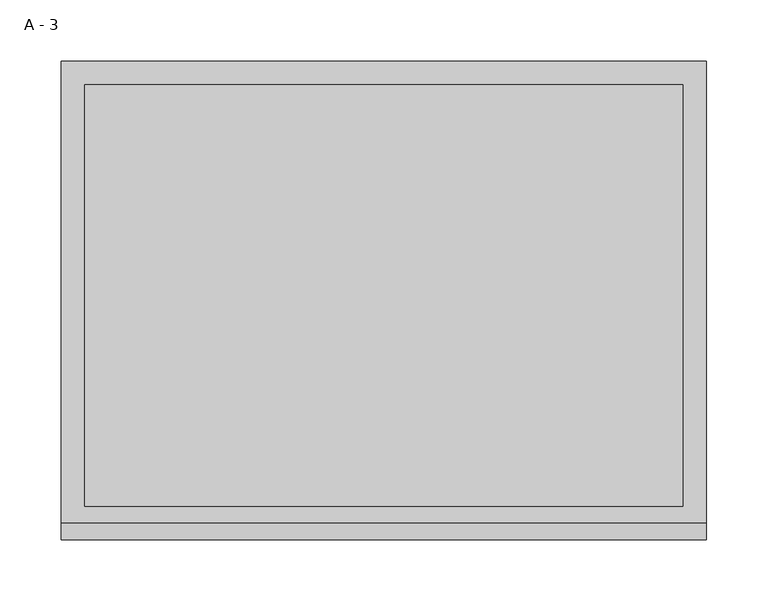
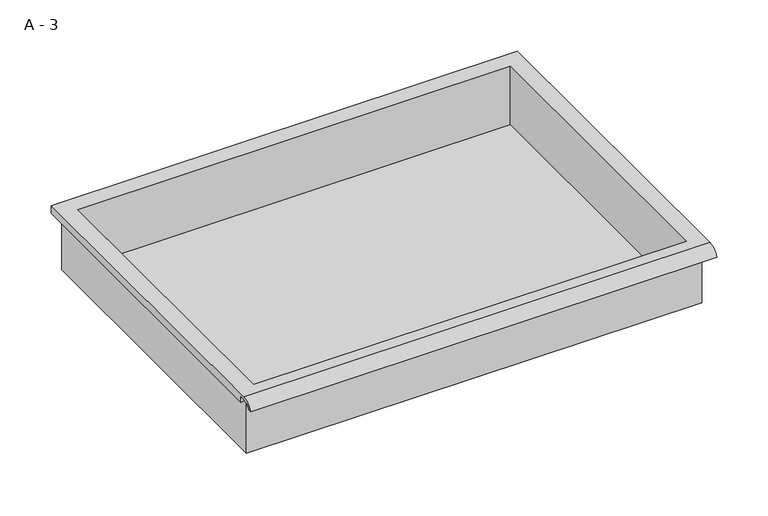
"""IFC4 building model written with IfcOpenShell, lengths in millimetres: furniture geometry, A - 3."""

from ifc_helpers import new_model, si_unit, frame, origin, place, context, project, spatial, polyline, circle_curve, source, transform, mapped, element, save
from ifc_brep_helpers import plane_surface, cylinder_surface, revolved_surface, advanced_brep


def a_3_f07f61ef(model_context):
    return source(origin(), model_context, "Body", "AdvancedBrep", [
        advanced_brep(
        [(-257.1076517, -176.2125, 742.14482), (257.2423483, -176.2125, 742.14482), (257.2423483, -176.2125, 805.64482), (263.5923483, -176.2125, 805.64482), (263.5923483, -176.2125, 811.9519541), (-263.4576517, -176.2125, 811.9519541), (-263.4576517, -176.2125, 805.64482), (-257.1076517, -176.2125, 805.64482), (257.2423483, 185.7375, 742.14482), (-257.1076517, 185.7375, 742.14482), (-257.1076517, 185.7375, 805.64482), (257.2423483, 185.7375, 805.64482), (263.5923483, -181.6070544, 815.16982), (263.5923483, 195.2625, 815.16982), (-263.4576517, 195.2625, 815.16982), (-263.4576517, -181.6070544, 815.16982), (244.5423483, -168.275, 815.16982), (-244.4076517, -168.275, 815.16982), (-244.4076517, 176.2125, 815.16982), (244.5423483, 176.2125, 815.16982), (263.5923483, -195.2625, 805.64482), (263.5923483, -191.8280601, 805.64482), (263.5923483, -180.4714815, 811.9519541), (263.5923483, 195.2625, 805.64482), (-263.4576517, 195.2625, 805.64482), (-263.4576517, -180.4714815, 811.9519541), (-263.4576517, -191.8280601, 805.64482), (-263.4576517, -195.2625, 805.64482), (-244.4076517, -168.275, 745.1709919), (244.5423483, -168.275, 745.1709919), (244.5423483, 176.2125, 745.1709919), (-244.4076517, 176.2125, 745.1709919)],
        [
            (0, 1),
            (1, 2),
            (2, 3),
            (3, 4),
            (4, 5),
            (5, 6),
            (6, 7),
            (7, 0),
            (8, 9),
            (9, 10),
            (10, 11),
            (11, 8),
            (0, 9),
            (8, 1),
            (11, 2),
            (12, 13),
            (13, 14),
            (14, 15),
            (15, 12),
            (16, 17),
            (17, 18),
            (18, 19),
            (19, 16),
            (7, 10),
            (12, 20, circle_curve(frame((263.5923483, -181.6070544, 800.6188059), z_axis=(1.0, 0.0, 0.0), x_axis=(0.0, 1.0, 0.0)), 14.5510141)),
            (20, 21),
            (21, 22, circle_curve(frame((263.5923483, -181.6070544, 800.6188059), z_axis=(-1.0, 0.0, 0.0), x_axis=(0.0, 1.0, 0.0)), 11.3898979)),
            (22, 4),
            (3, 23),
            (23, 13),
            (14, 24),
            (24, 6),
            (5, 25),
            (25, 26, circle_curve(frame((-263.4576517, -181.6070544, 800.6188059), z_axis=(1.0, 0.0, 0.0), x_axis=(0.0, 1.0, 0.0)), 11.3898979)),
            (26, 27),
            (27, 15, circle_curve(frame((-263.4576517, -181.6070544, 800.6188059), z_axis=(-1.0, 0.0, 0.0), x_axis=(0.0, 1.0, 0.0)), 14.5510141)),
            (27, 20),
            (26, 21),
            (25, 22),
            (24, 23),
            (28, 29),
            (29, 30),
            (30, 31),
            (31, 28),
            (28, 17),
            (16, 29),
            (19, 30),
            (18, 31),
        ],
        [
            plane_surface(frame((257.2423483, -176.2125, 742.14482), z_axis=(0.0, -1.0, 0.0), x_axis=(1.0, 0.0, 0.0))),
            plane_surface(frame((257.2423483, 185.7375, 742.14482), z_axis=(0.0, 1.0, 0.0), x_axis=(-1.0, 0.0, 0.0))),
            plane_surface(frame((-257.1076517, -176.2125, 742.14482), z_axis=(0.0, 0.0, -1.0), x_axis=(0.0, 1.0, 0.0))),
            plane_surface(frame((257.2423483, -176.2125, 742.14482), z_axis=(1.0, 0.0, 0.0), x_axis=(0.0, 1.0, 0.0))),
            plane_surface(frame((257.2423483, -176.2125, 815.16982), z_axis=(0.0, 0.0, 1.0), x_axis=(0.0, 1.0, 0.0))),
            plane_surface(frame((-257.1076517, -176.2125, 815.16982), z_axis=(-1.0, 0.0, 0.0), x_axis=(0.0, 1.0, 0.0))),
            plane_surface(frame((263.5923483, 195.2625, 815.16982), z_axis=(1.0, 0.0, 0.0), x_axis=(0.0, -1.0, 0.0))),
            plane_surface(frame((-263.4576517, 195.2625, 815.16982), z_axis=(-1.0, 0.0, 0.0), x_axis=(0.0, 1.0, 0.0))),
            cylinder_surface(frame((-263.4576517, -181.6070544, 800.6188059), z_axis=(1.0, 0.0, 0.0), x_axis=(0.0, 1.0, 0.0)), 14.5510141),
            plane_surface(frame((263.5923483, -195.2625, 805.64482), z_axis=(0.0, -7.291233251776066e-12, -1.0), x_axis=(-1.0, 0.0, 0.0))),
            revolved_surface(polyline([(-263.4576517, -170.21715650000002, 800.6188059), (263.59234829999997, -170.21715650000002, 800.6188059)]), (-263.4576517, -181.6070544, 800.6188059), (-1.0, 0.0, 0.0)),
            plane_surface(frame((263.5923483, -180.4714815, 811.9519541), z_axis=(0.0, -1.8115665214558343e-11, -1.0), x_axis=(-1.0, 0.0, 0.0))),
            plane_surface(frame((263.5923483, -176.2125, 805.64482), z_axis=(0.0, 0.0, -1.0), x_axis=(-1.0, 0.0, 0.0))),
            plane_surface(frame((263.5923483, 195.2625, 805.64482), z_axis=(0.0, 1.0, 0.0), x_axis=(-1.0, 0.0, 0.0))),
            plane_surface(frame((244.5423483, -168.275, 745.1709919), z_axis=(0.0, 0.0, 1.0), x_axis=(-1.0, 0.0, 0.0))),
            plane_surface(frame((-244.4076517, -168.275, 815.16982), z_axis=(0.0, 1.0, 0.0), x_axis=(0.0, 0.0, -1.0))),
            plane_surface(frame((244.5423483, -168.275, 815.16982), z_axis=(-1.0, 0.0, 0.0), x_axis=(0.0, 0.0, -1.0))),
            plane_surface(frame((244.5423483, 176.2125, 815.16982), z_axis=(0.0, -1.0, 0.0), x_axis=(0.0, 0.0, -1.0))),
            plane_surface(frame((-244.4076517, 176.2125, 815.16982), z_axis=(1.0, 0.0, 0.0), x_axis=(0.0, 0.0, -1.0))),
        ],
        [
            (0, [[1, 2, 3, 4, 5, 6, 7, 8]]),
            (1, [[9, 10, 11, 12]]),
            (2, [[-1, 13, -9, 14]]),
            (3, [[-14, -12, 15, -2]]),
            (4, [[16, 17, 18, 19], [20, 21, 22, 23]]),
            (5, [[-13, -8, 24, -10]]),
            (6, [[-16, 25, 26, 27, 28, -4, 29, 30]]),
            (7, [[31, 32, -6, 33, 34, 35, 36, -18]]),
            (8, [[-25, -19, -36, 37]]),
            (9, [[-26, -37, -35, 38]]),
            (10, [[-27, -38, -34, 39]]),
            (11, [[-28, -39, -33, -5]]),
            (12, [[-29, -3, -15, -11, -24, -7, -32, 40]]),
            (13, [[-30, -40, -31, -17]]),
            (14, [[41, 42, 43, 44]]),
            (15, [[-41, 45, -20, 46]]),
            (16, [[-42, -46, -23, 47]]),
            (17, [[-43, -47, -22, 48]]),
            (18, [[-44, -48, -21, -45]]),
        ],
    ),
    ])


if __name__ == "__main__":
    model = new_model("IFC4")
    model_context = context("Model", 3, world=origin())
    ifc_project = project(units=[si_unit("LENGTHUNIT", "METRE", prefix="MILLI")], contexts=[model_context])
    site = spatial("IfcSite", under=ifc_project)
    building = spatial("IfcBuilding", under=site)
    placement = place(None, origin())
    a_3_shape = a_3_f07f61ef(model_context)
    element("IfcFurniture", 1, ObjectType="A - 3", at=placement, inside=building, context=model_context, shape_type="MappedRepresentation", body=[
        mapped(a_3_shape, transform((0.0, 0.0, 0.0), x_axis=(1.0, 0.0, 0.0), y_axis=(0.0, 1.0, 0.0), z_axis=(0.0, 0.0, 1.0))),
    ])
    save(model, "model.ifc")
